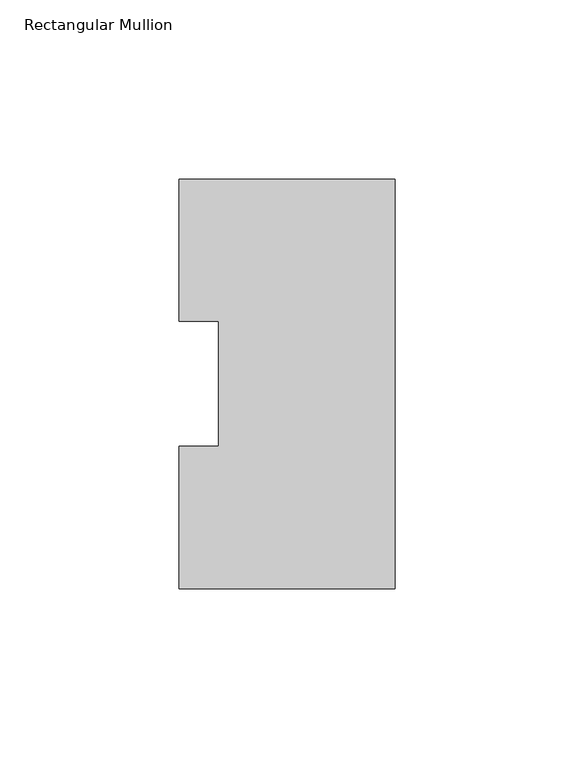
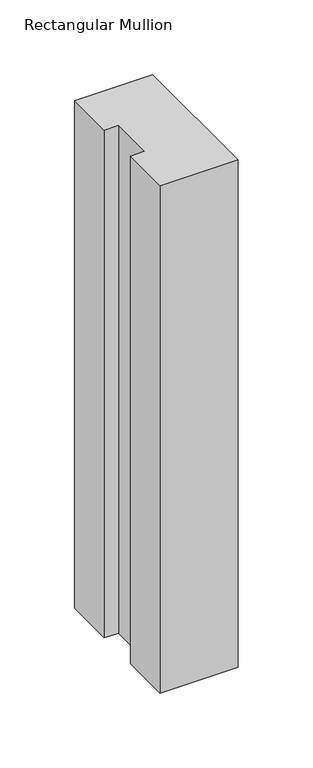
"""IFC4 building model written with IfcOpenShell, lengths in millimetres: member geometry, Rectangular Mullion."""

import ifcopenshell
import ifcopenshell.guid

model = None  # the IFC model being written
_history = None  # IfcOwnerHistory: only IFC2X3 demands one
_inside = {}  # id of a spatial element -> (the spatial element, [elements in it])
_under = {}  # id of a project, library or spatial element -> (it, [spatial elements below it])
_declared = {}  # id of a project -> (the project, [libraries it declares])
_typed = {}  # id of a type object -> (the type object, [elements of that type])
_made_of = {}  # id of a material, layer set ... -> (it, [elements and type objects made of it])


def new_model(schema):
    """Start an empty IFC model of exactly this schema.

    Asked for "IFC4X3", IfcOpenShell would pick the latest addendum, in which some entities
    have other attributes; the version numbers below select the first issue.
    IFC2X3 requires an IfcOwnerHistory on every rooted entity: one is made here for all.
    """
    global model, _history
    if schema == "IFC4X3":
        model = ifcopenshell.file(schema_version=(4, 3, 0, 0))
    else:
        model = ifcopenshell.file(schema=schema)
    _inside.clear()
    _under.clear()
    _declared.clear()
    _typed.clear()
    _made_of.clear()
    _history = None
    if model.schema == "IFC2X3":
        org = make("IfcOrganization", Name="unknown")
        user = make(
            "IfcPersonAndOrganization",
            ThePerson=make("IfcPerson", FamilyName="unknown"),
            TheOrganization=org,
        )
        app = make(
            "IfcApplication",
            ApplicationDeveloper=org,
            Version="unknown",
            ApplicationFullName="unknown",
            ApplicationIdentifier="unknown",
        )
        _history = make(
            "IfcOwnerHistory",
            OwningUser=user,
            OwningApplication=app,
            ChangeAction="ADDED",
            CreationDate=0,
        )
    return model


def make(cls, **values):
    """One entity of the class cls with the attributes given. An attribute that is None is left unset."""
    return model.create_entity(
        cls, **{name: value for name, value in values.items() if value is not None}
    )


def rooted(cls, **values):
    """An entity with a GlobalId (a new one), such as an element, a storey or a relation."""
    return make(cls, GlobalId=ifcopenshell.guid.new(), OwnerHistory=_history, **values)


def si_unit(unit_type, name, prefix=None):
    """IfcSIUnit, for example si_unit("LENGTHUNIT", "METRE", prefix="MILLI")."""
    return make("IfcSIUnit", UnitType=unit_type, Prefix=prefix, Name=name)


def assignment(units):
    """IfcUnitAssignment: the units of a project."""
    return None if units is None else make("IfcUnitAssignment", Units=units)


def point(xyz):
    """IfcCartesianPoint."""
    return None if xyz is None else make("IfcCartesianPoint", Coordinates=xyz)


def direction(xyz):
    """IfcDirection."""
    return None if xyz is None else make("IfcDirection", DirectionRatios=xyz)


def frame(location, z_axis=None, x_axis=None):
    """IfcAxis2Placement3D, a coordinate frame: its origin and axes. An axis left out is left unset."""
    return make(
        "IfcAxis2Placement3D",
        Location=point(location),
        Axis=direction(z_axis),
        RefDirection=direction(x_axis),
    )


def origin():
    """The frame at (0, 0, 0) with its axes left unset."""
    return frame((0.0, 0.0, 0.0))


def place(relative_to, where):
    """IfcLocalPlacement: puts the frame where relative to a parent placement (None: the world)."""
    return make(
        "IfcLocalPlacement", PlacementRelTo=relative_to, RelativePlacement=where
    )


def context(
    kind, dimensions, precision=None, world=None, true_north=None, identifier=None
):
    """IfcGeometricRepresentationContext, for example the 3D "Model" context."""
    return make(
        "IfcGeometricRepresentationContext",
        ContextIdentifier=identifier,
        ContextType=kind,
        CoordinateSpaceDimension=dimensions,
        Precision=precision,
        WorldCoordinateSystem=world,
        TrueNorth=true_north,
    )


def project(units=None, contexts=None):
    """IfcProject with its units and contexts."""
    return rooted(
        "IfcProject",
        Name="project",
        RepresentationContexts=contexts,
        UnitsInContext=assignment(units),
    )


def spatial(cls, under=None, at=None, **own):
    """A site, building, storey or space (cls), placed at a placement, below another one or the project."""
    s = rooted(cls, ObjectPlacement=at, **own)
    if under is not None:
        _under.setdefault(under.id(), (under, []))[1].append(s)
    return s


def polyline(points):
    """IfcPolyline through the points."""
    return make("IfcPolyline", Points=[point(p) for p in points])


def outline(outer, holes=None, kind="AREA"):
    """IfcArbitraryClosedProfileDef: a profile drawn as a closed curve; with holes, ...WithVoids."""
    if holes is None:
        return make("IfcArbitraryClosedProfileDef", ProfileType=kind, OuterCurve=outer)
    return make(
        "IfcArbitraryProfileDefWithVoids",
        ProfileType=kind,
        OuterCurve=outer,
        InnerCurves=holes,
    )


def extrude(swept, where, along, depth):
    """IfcExtrudedAreaSolid: the profile swept, set in the frame where, extruded along a direction by depth."""
    return make(
        "IfcExtrudedAreaSolid",
        SweptArea=swept,
        Position=where,
        ExtrudedDirection=direction(along),
        Depth=depth,
    )


def shape(context_of_items, identifier, shape_type, items):
    """IfcShapeRepresentation: the items that make up one representation, for example the "Body"."""
    return make(
        "IfcShapeRepresentation",
        ContextOfItems=context_of_items,
        RepresentationIdentifier=identifier,
        RepresentationType=shape_type,
        Items=items,
    )


def source(mapping_origin, context_of_items, identifier, shape_type, items):
    """IfcRepresentationMap: a shape defined once, which mapped items show again and again."""
    return make(
        "IfcRepresentationMap",
        MappingOrigin=mapping_origin,
        MappedRepresentation=shape(context_of_items, identifier, shape_type, items),
    )


def transform(
    local_origin,
    x_axis=None,
    y_axis=None,
    z_axis=None,
    scale=None,
    scale2=None,
    scale3=None,
    uniform=True,
):
    """IfcCartesianTransformationOperator3D, or its non-uniform kind. x_axis, y_axis, z_axis: its Axis1, 2, 3."""
    if uniform:
        return make(
            "IfcCartesianTransformationOperator3D",
            Axis1=direction(x_axis),
            Axis2=direction(y_axis),
            LocalOrigin=point(local_origin),
            Scale=scale,
            Axis3=direction(z_axis),
        )
    return make(
        "IfcCartesianTransformationOperator3DnonUniform",
        Axis1=direction(x_axis),
        Axis2=direction(y_axis),
        LocalOrigin=point(local_origin),
        Scale=scale,
        Axis3=direction(z_axis),
        Scale2=scale2,
        Scale3=scale3,
    )


def mapped(mapping_source, mapping_target):
    """IfcMappedItem: shows the shape of a source again, moved by a transform."""
    return make(
        "IfcMappedItem", MappingSource=mapping_source, MappingTarget=mapping_target
    )


def made_of(thing, what):
    """Note that an element or type object is made of a material, layer set ...; save() writes the relation."""
    if what is not None:
        _made_of.setdefault(what.id(), (what, []))[1].append(thing)
    return thing


def element(
    cls,
    number,
    at=None,
    inside=None,
    cuts=None,
    type_object=None,
    material=None,
    context=None,
    identifier="Body",
    shape_type=None,
    held_by="IfcProductDefinitionShape",
    body=None,
    shapes=None,
    **own,
):
    """One element of the class cls, such as IfcWall. Its Tag is "e" and its number.

    at: its placement. inside: the storey or other place that contains it. cuts: it is an
    opening in that element (IfcRelVoidsElement). A single representation is given by context,
    identifier, shape_type and body (its items); several are given by shapes. held_by: the class
    of the entity that holds the representations. save() writes the other relations.
    """
    e = rooted(cls, Tag="e%d" % number, ObjectPlacement=at, **own)
    if body is not None:
        shapes = [shape(context, identifier, shape_type, body)]
    if shapes is not None:
        e.Representation = make(held_by, Representations=shapes)
    if inside is not None:
        _inside.setdefault(inside.id(), (inside, []))[1].append(e)
    if cuts is not None:
        rooted(
            "IfcRelVoidsElement", RelatingBuildingElement=cuts, RelatedOpeningElement=e
        )
    if type_object is not None:
        _typed.setdefault(type_object.id(), (type_object, []))[1].append(e)
    return made_of(e, material)


def aggregate(whole, parts):
    """IfcRelAggregates: a whole, such as a stair, and the parts it consists of."""
    return rooted("IfcRelAggregates", RelatingObject=whole, RelatedObjects=parts)


def save(model, path):
    """Write the relations noted so far, then the file.

    IfcRelAggregates (storeys below a building ...), IfcRelContainedInSpatialStructure (elements
    in a storey), IfcRelDefinesByType, IfcRelAssociatesMaterial and IfcRelDeclares: one each for
    every whole, place, type object, material and project.
    """
    for whole, parts in _under.values():
        aggregate(whole, parts)
    for where, things in _inside.values():
        rooted(
            "IfcRelContainedInSpatialStructure",
            RelatedElements=things,
            RelatingStructure=where,
        )
    for kind, things in _typed.values():
        rooted("IfcRelDefinesByType", RelatedObjects=things, RelatingType=kind)
    for what, things in _made_of.values():
        rooted("IfcRelAssociatesMaterial", RelatedObjects=things, RelatingMaterial=what)
    for by, libraries in _declared.values():
        rooted("IfcRelDeclares", RelatingContext=by, RelatedDefinitions=libraries)
    model.write(path)


def rectangular_mullion_b5a567c9(model_context):
    return source(origin(), model_context, "Body", "SweptSolid", [
        extrude(outline(polyline([(0.0, 114.271425), (0.0, -0.028575), (-60.325, -0.028575), (-60.325, 39.646225), (-49.2125, 39.646225), (-49.2125, 74.596625), (-60.325, 74.596625), (-60.325, 114.271425), (0.0, 114.271425)])), frame((0.0, 0.0, -414.3375), z_axis=(0.0, 0.0, 1.0), x_axis=(1.0, 0.0, 0.0)), (0.0, 0.0, 1.0), 414.3375),
    ])


if __name__ == "__main__":
    model = new_model("IFC4")
    model_context = context("Model", 3, world=origin())
    ifc_project = project(units=[si_unit("LENGTHUNIT", "METRE", prefix="MILLI")], contexts=[model_context])
    site = spatial("IfcSite", under=ifc_project)
    building = spatial("IfcBuilding", under=site)
    placement = place(None, origin())
    rectangular_mullion_shape = rectangular_mullion_b5a567c9(model_context)
    element("IfcMember", 1, ObjectType="Rectangular Mullion", at=placement, inside=building, context=model_context, shape_type="MappedRepresentation", body=[
        mapped(rectangular_mullion_shape, transform((0.0, 0.0, 0.0), x_axis=(1.0, 0.0, 0.0), y_axis=(0.0, 1.0, 0.0), z_axis=(0.0, 0.0, 1.0))),
    ])
    save(model, "model.ifc")
